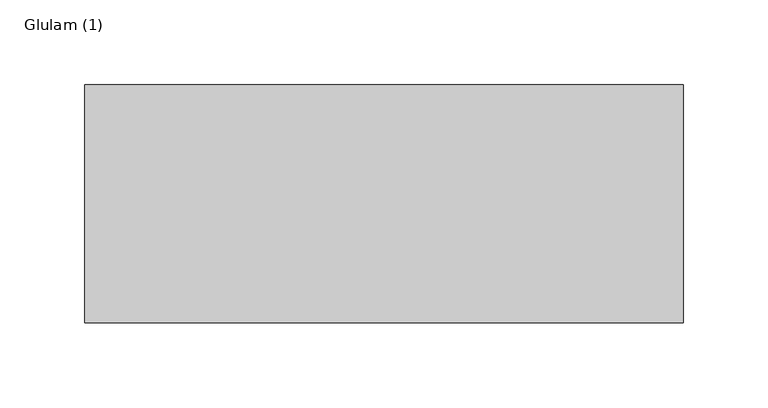
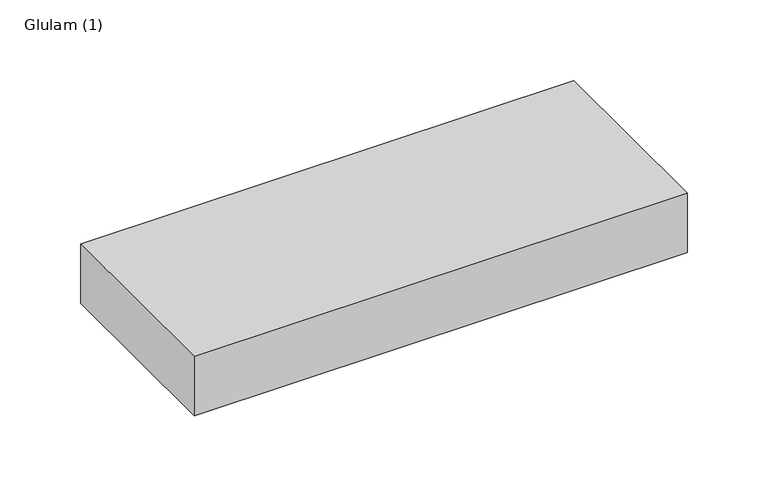
"""IFC4 building model written with IfcOpenShell, lengths in millimetres: beam geometry, Glulam (1)."""

from ifc_helpers import new_model, si_unit, frame, origin, place, context, project, spatial, polyline, outline, extrude, source, transform, mapped, element, save


def glulam_1_b65eba73(model_context):
    return source(origin(), model_context, "Body", "SweptSolid", [
        extrude(outline(polyline([(176.0, 70.0), (176.0, -70.0), (-176.0, -70.0), (-176.0, 70.0), (176.0, 70.0)])), frame((0.0, 0.0, -22.5), z_axis=(0.0, 0.0, 1.0), x_axis=(1.0, 0.0, 0.0)), (0.0, 0.0, 1.0), 45.0),
    ])


if __name__ == "__main__":
    model = new_model("IFC4")
    model_context = context("Model", 3, world=origin())
    ifc_project = project(units=[si_unit("LENGTHUNIT", "METRE", prefix="MILLI")], contexts=[model_context])
    site = spatial("IfcSite", under=ifc_project)
    building = spatial("IfcBuilding", under=site)
    placement = place(None, origin())
    glulam_1_shape = glulam_1_b65eba73(model_context)
    element("IfcBeam", 1, ObjectType="Glulam (1)", at=placement, inside=building, context=model_context, shape_type="MappedRepresentation", body=[
        mapped(glulam_1_shape, transform((0.0, 0.0, 0.0), x_axis=(1.0, 0.0, 0.0), y_axis=(0.0, 1.0, 0.0), z_axis=(0.0, 0.0, 1.0))),
    ])
    save(model, "model.ifc")
